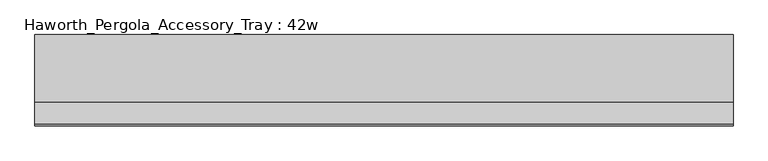
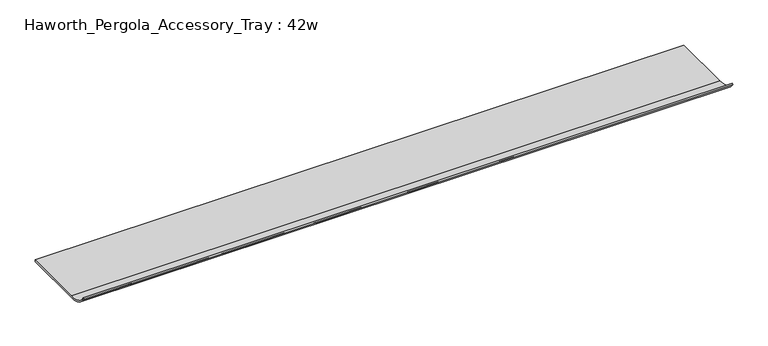
"""IFC4 building model written with IfcOpenShell, lengths in millimetres: furniture geometry, Haworth_Pergola_Accessory_Tray : 42w."""

from ifc_helpers import new_model, si_unit, point, frame, frame_2d, origin, place, context, project, spatial, polyline, circle_curve, trimmed, segment, composite_curve, outline, extrude, source, transform, mapped, element, save


def haworth_pergola_accessory_tray_42w_78bc9038(model_context):
    return source(origin(), model_context, "Body", "SweptSolid", [
        extrude(outline(composite_curve([segment(polyline([(249.4228671, 1003.3047625), (249.4228671, 1000.3282), (146.8537349, 1000.3282)]), True, "CONTINUOUS"), segment(trimmed(circle_curve(frame_2d((146.8537349, 1046.6372829)), 46.3090829), [point((146.8537349, 1000.3282))], [point((109.8323902, 1018.8173045))], False, "CARTESIAN"), True, "CONTINUOUS"), segment(polyline([(109.8323902, 1018.8173045), (111.7841541, 1020.7690684)]), True, "CONTINUOUS"), segment(trimmed(circle_curve(frame_2d((146.8538064, 1047.2481777)), 43.9434152), [point((111.7841541, 1020.7690684))], [point((146.8538064, 1003.3047625))], True, "CARTESIAN"), True, "CONTINUOUS"), segment(polyline([(146.8538064, 1003.3047625), (249.4228671, 1003.3047625)]), True, "CONTINUOUS")], self_intersect=False)), frame((99.0179615, 0.0, 0.0), z_axis=(1.0, 0.0, 0.0), x_axis=(0.0, 1.0, 0.0)), (0.0, 0.0, 1.0), 1066.8),
    ])


if __name__ == "__main__":
    model = new_model("IFC4")
    model_context = context("Model", 3, world=origin())
    ifc_project = project(units=[si_unit("LENGTHUNIT", "METRE", prefix="MILLI")], contexts=[model_context])
    site = spatial("IfcSite", under=ifc_project)
    building = spatial("IfcBuilding", under=site)
    placement = place(None, origin())
    haworth_pergola_accessory_tray_42w_shape = haworth_pergola_accessory_tray_42w_78bc9038(model_context)
    element("IfcFurniture", 1, ObjectType="Haworth_Pergola_Accessory_Tray : 42w", at=placement, inside=building, context=model_context, shape_type="MappedRepresentation", body=[
        mapped(haworth_pergola_accessory_tray_42w_shape, transform((0.0, 0.0, 0.0), x_axis=(1.0, 0.0, 0.0), y_axis=(0.0, 1.0, 0.0), z_axis=(0.0, 0.0, 1.0))),
    ])
    save(model, "model.ifc")
